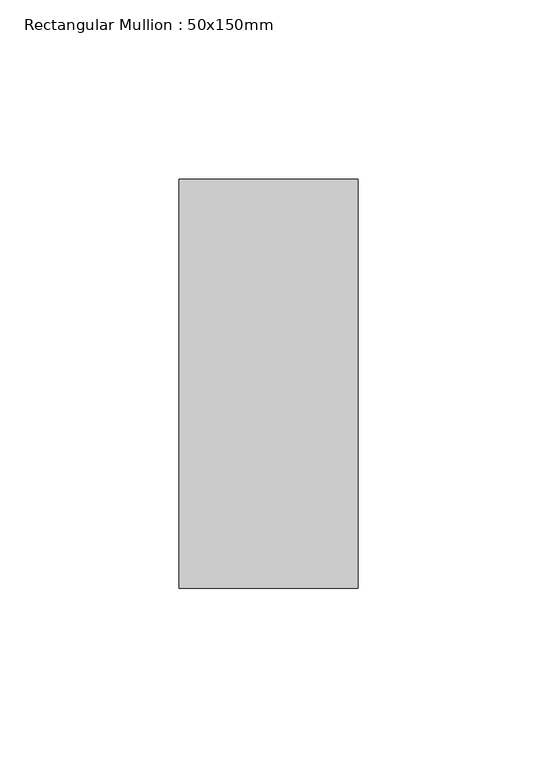
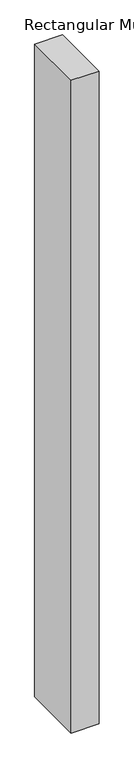
"""IFC4 building model written with IfcOpenShell, lengths in millimetres: member geometry, Rectangular Mullion : 50x150mm."""

from ifc_helpers import new_model, si_unit, frame, origin, place, context, project, spatial, polyline, outline, extrude, source, transform, mapped, element, save


def rectangular_mullion_50x150mm_c6649c1f(model_context):
    return source(origin(), model_context, "Body", "SweptSolid", [
        extrude(outline(polyline([(0.0, 57.15), (0.0, -57.15), (-50.0, -57.15), (-50.0, 57.15), (0.0, 57.15)])), frame((0.0, 0.0, -1244.6000003), z_axis=(0.0, 0.0, 1.0), x_axis=(1.0, 0.0, 0.0)), (0.0, 0.0, 1.0), 1244.6000003),
    ])


if __name__ == "__main__":
    model = new_model("IFC4")
    model_context = context("Model", 3, world=origin())
    ifc_project = project(units=[si_unit("LENGTHUNIT", "METRE", prefix="MILLI")], contexts=[model_context])
    site = spatial("IfcSite", under=ifc_project)
    building = spatial("IfcBuilding", under=site)
    placement = place(None, origin())
    rectangular_mullion_50x150mm_shape = rectangular_mullion_50x150mm_c6649c1f(model_context)
    element("IfcMember", 1, ObjectType="Rectangular Mullion : 50x150mm", at=placement, inside=building, context=model_context, shape_type="MappedRepresentation", body=[
        mapped(rectangular_mullion_50x150mm_shape, transform((0.0, 0.0, 0.0), x_axis=(1.0, 0.0, 0.0), y_axis=(0.0, 1.0, 0.0), z_axis=(0.0, 0.0, 1.0))),
    ])
    save(model, "model.ifc")
